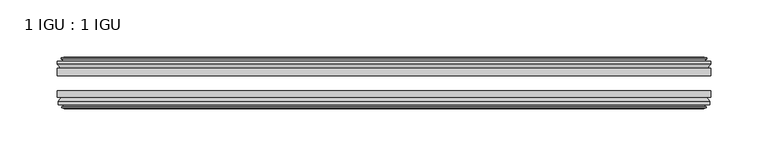
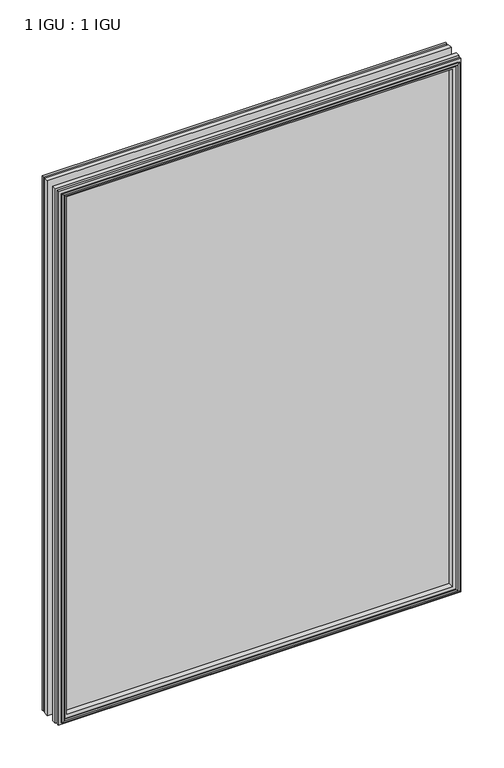
"""IFC4 building model written with IfcOpenShell, lengths in millimetres: plate geometry, 1 IGU : 1 IGU."""

import ifcopenshell
import ifcopenshell.guid

model = None  # the IFC model being written
_history = None  # IfcOwnerHistory: only IFC2X3 demands one
_inside = {}  # id of a spatial element -> (the spatial element, [elements in it])
_under = {}  # id of a project, library or spatial element -> (it, [spatial elements below it])
_declared = {}  # id of a project -> (the project, [libraries it declares])
_typed = {}  # id of a type object -> (the type object, [elements of that type])
_made_of = {}  # id of a material, layer set ... -> (it, [elements and type objects made of it])


def new_model(schema):
    """Start an empty IFC model of exactly this schema.

    Asked for "IFC4X3", IfcOpenShell would pick the latest addendum, in which some entities
    have other attributes; the version numbers below select the first issue.
    IFC2X3 requires an IfcOwnerHistory on every rooted entity: one is made here for all.
    """
    global model, _history
    if schema == "IFC4X3":
        model = ifcopenshell.file(schema_version=(4, 3, 0, 0))
    else:
        model = ifcopenshell.file(schema=schema)
    _inside.clear()
    _under.clear()
    _declared.clear()
    _typed.clear()
    _made_of.clear()
    _history = None
    if model.schema == "IFC2X3":
        org = make("IfcOrganization", Name="unknown")
        user = make(
            "IfcPersonAndOrganization",
            ThePerson=make("IfcPerson", FamilyName="unknown"),
            TheOrganization=org,
        )
        app = make(
            "IfcApplication",
            ApplicationDeveloper=org,
            Version="unknown",
            ApplicationFullName="unknown",
            ApplicationIdentifier="unknown",
        )
        _history = make(
            "IfcOwnerHistory",
            OwningUser=user,
            OwningApplication=app,
            ChangeAction="ADDED",
            CreationDate=0,
        )
    return model


def make(cls, **values):
    """One entity of the class cls with the attributes given. An attribute that is None is left unset."""
    return model.create_entity(
        cls, **{name: value for name, value in values.items() if value is not None}
    )


def rooted(cls, **values):
    """An entity with a GlobalId (a new one), such as an element, a storey or a relation."""
    return make(cls, GlobalId=ifcopenshell.guid.new(), OwnerHistory=_history, **values)


def si_unit(unit_type, name, prefix=None):
    """IfcSIUnit, for example si_unit("LENGTHUNIT", "METRE", prefix="MILLI")."""
    return make("IfcSIUnit", UnitType=unit_type, Prefix=prefix, Name=name)


def assignment(units):
    """IfcUnitAssignment: the units of a project."""
    return None if units is None else make("IfcUnitAssignment", Units=units)


def point(xyz):
    """IfcCartesianPoint."""
    return None if xyz is None else make("IfcCartesianPoint", Coordinates=xyz)


def direction(xyz):
    """IfcDirection."""
    return None if xyz is None else make("IfcDirection", DirectionRatios=xyz)


def frame(location, z_axis=None, x_axis=None):
    """IfcAxis2Placement3D, a coordinate frame: its origin and axes. An axis left out is left unset."""
    return make(
        "IfcAxis2Placement3D",
        Location=point(location),
        Axis=direction(z_axis),
        RefDirection=direction(x_axis),
    )


def origin():
    """The frame at (0, 0, 0) with its axes left unset."""
    return frame((0.0, 0.0, 0.0))


def place(relative_to, where):
    """IfcLocalPlacement: puts the frame where relative to a parent placement (None: the world)."""
    return make(
        "IfcLocalPlacement", PlacementRelTo=relative_to, RelativePlacement=where
    )


def context(
    kind, dimensions, precision=None, world=None, true_north=None, identifier=None
):
    """IfcGeometricRepresentationContext, for example the 3D "Model" context."""
    return make(
        "IfcGeometricRepresentationContext",
        ContextIdentifier=identifier,
        ContextType=kind,
        CoordinateSpaceDimension=dimensions,
        Precision=precision,
        WorldCoordinateSystem=world,
        TrueNorth=true_north,
    )


def project(units=None, contexts=None):
    """IfcProject with its units and contexts."""
    return rooted(
        "IfcProject",
        Name="project",
        RepresentationContexts=contexts,
        UnitsInContext=assignment(units),
    )


def spatial(cls, under=None, at=None, **own):
    """A site, building, storey or space (cls), placed at a placement, below another one or the project."""
    s = rooted(cls, ObjectPlacement=at, **own)
    if under is not None:
        _under.setdefault(under.id(), (under, []))[1].append(s)
    return s


def polyline(points):
    """IfcPolyline through the points."""
    return make("IfcPolyline", Points=[point(p) for p in points])


def outline(outer, holes=None, kind="AREA"):
    """IfcArbitraryClosedProfileDef: a profile drawn as a closed curve; with holes, ...WithVoids."""
    if holes is None:
        return make("IfcArbitraryClosedProfileDef", ProfileType=kind, OuterCurve=outer)
    return make(
        "IfcArbitraryProfileDefWithVoids",
        ProfileType=kind,
        OuterCurve=outer,
        InnerCurves=holes,
    )


def extrude(swept, where, along, depth):
    """IfcExtrudedAreaSolid: the profile swept, set in the frame where, extruded along a direction by depth."""
    return make(
        "IfcExtrudedAreaSolid",
        SweptArea=swept,
        Position=where,
        ExtrudedDirection=direction(along),
        Depth=depth,
    )


def faces_of(points, faces, orient=None, outer=None):
    """IfcFace entities. A face is a list of loops; a loop is a list of indices into points, from 0.

    orient and outer hold one flag for each loop. By default every Orientation is true, the
    first loop of a face is its IfcFaceOuterBound and the others are IfcFaceBound.
    """
    made = []
    for i, loops in enumerate(faces):
        bounds = []
        for j, loop in enumerate(loops):
            is_outer = j == 0 if outer is None else outer[i][j]
            bounds.append(
                make(
                    "IfcFaceOuterBound" if is_outer else "IfcFaceBound",
                    Bound=make("IfcPolyLoop", Polygon=[points[k] for k in loop]),
                    Orientation=True if orient is None else orient[i][j],
                )
            )
        made.append(make("IfcFace", Bounds=bounds))
    return made


def faceted_brep(points, faces, orient=None, outer=None, voids=None):
    """IfcFacetedBrep: a solid bounded by flat faces; with voids (closed shells), ...WithVoids."""
    shared = [point(p) for p in points]
    hull = make("IfcClosedShell", CfsFaces=faces_of(shared, faces, orient, outer))
    if voids is None:
        return make("IfcFacetedBrep", Outer=hull)
    return make(
        "IfcFacetedBrepWithVoids",
        Outer=hull,
        Voids=[
            make(cls, CfsFaces=faces_of(shared, fs, o, b)) for cls, fs, o, b in voids
        ],
    )


def shape(context_of_items, identifier, shape_type, items):
    """IfcShapeRepresentation: the items that make up one representation, for example the "Body"."""
    return make(
        "IfcShapeRepresentation",
        ContextOfItems=context_of_items,
        RepresentationIdentifier=identifier,
        RepresentationType=shape_type,
        Items=items,
    )


def source(mapping_origin, context_of_items, identifier, shape_type, items):
    """IfcRepresentationMap: a shape defined once, which mapped items show again and again."""
    return make(
        "IfcRepresentationMap",
        MappingOrigin=mapping_origin,
        MappedRepresentation=shape(context_of_items, identifier, shape_type, items),
    )


def transform(
    local_origin,
    x_axis=None,
    y_axis=None,
    z_axis=None,
    scale=None,
    scale2=None,
    scale3=None,
    uniform=True,
):
    """IfcCartesianTransformationOperator3D, or its non-uniform kind. x_axis, y_axis, z_axis: its Axis1, 2, 3."""
    if uniform:
        return make(
            "IfcCartesianTransformationOperator3D",
            Axis1=direction(x_axis),
            Axis2=direction(y_axis),
            LocalOrigin=point(local_origin),
            Scale=scale,
            Axis3=direction(z_axis),
        )
    return make(
        "IfcCartesianTransformationOperator3DnonUniform",
        Axis1=direction(x_axis),
        Axis2=direction(y_axis),
        LocalOrigin=point(local_origin),
        Scale=scale,
        Axis3=direction(z_axis),
        Scale2=scale2,
        Scale3=scale3,
    )


def mapped(mapping_source, mapping_target):
    """IfcMappedItem: shows the shape of a source again, moved by a transform."""
    return make(
        "IfcMappedItem", MappingSource=mapping_source, MappingTarget=mapping_target
    )


def made_of(thing, what):
    """Note that an element or type object is made of a material, layer set ...; save() writes the relation."""
    if what is not None:
        _made_of.setdefault(what.id(), (what, []))[1].append(thing)
    return thing


def element(
    cls,
    number,
    at=None,
    inside=None,
    cuts=None,
    type_object=None,
    material=None,
    context=None,
    identifier="Body",
    shape_type=None,
    held_by="IfcProductDefinitionShape",
    body=None,
    shapes=None,
    **own,
):
    """One element of the class cls, such as IfcWall. Its Tag is "e" and its number.

    at: its placement. inside: the storey or other place that contains it. cuts: it is an
    opening in that element (IfcRelVoidsElement). A single representation is given by context,
    identifier, shape_type and body (its items); several are given by shapes. held_by: the class
    of the entity that holds the representations. save() writes the other relations.
    """
    e = rooted(cls, Tag="e%d" % number, ObjectPlacement=at, **own)
    if body is not None:
        shapes = [shape(context, identifier, shape_type, body)]
    if shapes is not None:
        e.Representation = make(held_by, Representations=shapes)
    if inside is not None:
        _inside.setdefault(inside.id(), (inside, []))[1].append(e)
    if cuts is not None:
        rooted(
            "IfcRelVoidsElement", RelatingBuildingElement=cuts, RelatedOpeningElement=e
        )
    if type_object is not None:
        _typed.setdefault(type_object.id(), (type_object, []))[1].append(e)
    return made_of(e, material)


def aggregate(whole, parts):
    """IfcRelAggregates: a whole, such as a stair, and the parts it consists of."""
    return rooted("IfcRelAggregates", RelatingObject=whole, RelatedObjects=parts)


def save(model, path):
    """Write the relations noted so far, then the file.

    IfcRelAggregates (storeys below a building ...), IfcRelContainedInSpatialStructure (elements
    in a storey), IfcRelDefinesByType, IfcRelAssociatesMaterial and IfcRelDeclares: one each for
    every whole, place, type object, material and project.
    """
    for whole, parts in _under.values():
        aggregate(whole, parts)
    for where, things in _inside.values():
        rooted(
            "IfcRelContainedInSpatialStructure",
            RelatedElements=things,
            RelatingStructure=where,
        )
    for kind, things in _typed.values():
        rooted("IfcRelDefinesByType", RelatedObjects=things, RelatingType=kind)
    for what, things in _made_of.values():
        rooted("IfcRelAssociatesMaterial", RelatedObjects=things, RelatingMaterial=what)
    for by, libraries in _declared.values():
        rooted("IfcRelDeclares", RelatingContext=by, RelatedDefinitions=libraries)
    model.write(path)


def plate_1_igu_1_igu_eb9126e1(model_context):
    return source(origin(), model_context, "Body", "SolidModel", [
        extrude(outline(polyline([(285.75, -25.8960937), (285.75, -32.2460938), (-285.75, -32.2460938), (-285.75, -25.8960937), (285.75, -25.8960937)])), frame((0.0, 0.0, -12.7), z_axis=(0.0, 0.0, 1.0), x_axis=(1.0, 0.0, 0.0)), (0.0, 0.0, 1.0), 800.1),
        extrude(outline(polyline([(-285.75, -51.2960938), (-285.75, -45.2686737), (285.75, -45.2686737), (285.75, -51.2960938), (-285.75, -51.2960938)])), frame((0.0, 0.0, -12.7), z_axis=(0.0, 0.0, 1.0), x_axis=(1.0, 0.0, 0.0)), (0.0, 0.0, 1.0), 800.1),
        faceted_brep([(-280.162, -60.0262907, 781.812), (-280.543, -57.6460937, 782.193), (-280.543, -57.6460937, -7.493), (-280.162, -60.0262907, -7.112), (-281.5775291, -59.5663575, 783.2275291), (-281.5775291, -59.5663575, -8.5275291), (-281.5775291, -60.3675717, 783.2275291), (-281.5775291, -60.3675717, -8.5275291), (-279.4, -61.0750937, 781.05), (-279.4, -61.0750937, -6.35), (-277.2224709, -60.3675717, 778.8724709), (-277.2224709, -60.3675717, -4.1724709), (-277.2224709, -59.5663575, 778.8724709), (-277.2224709, -59.5663575, -4.1724709), (-278.638, -60.0262907, 780.288), (-278.638, -60.0262907, -5.588), (-278.257, -57.6460937, 779.907), (-278.257, -57.6460937, -5.207), (-271.3322819, -51.2960937, 772.9822819), (-273.05, -57.6460937, 774.7), (-273.05, -57.6460937, 0.0), (-271.3322819, -51.2960937, 1.7177181), (-284.988, -54.6996937, 786.638), (-282.1536578, -51.2960937, 783.8036578), (-282.1536578, -51.2960937, -9.1036578), (-284.988, -54.6996937, -11.938), (-284.988, -57.6460937, 786.638), (-284.988, -57.6460937, -11.938), (280.543, -57.6460938, -7.493), (280.162, -60.0262907, -7.112), (281.5775291, -59.5663575, -8.5275291), (281.5775291, -60.3675717, -8.5275291), (279.4, -61.0750937, -6.35), (277.2224709, -60.3675717, -4.1724709), (277.2224709, -59.5663575, -4.1724709), (278.638, -60.0262907, -5.588), (278.257, -57.6460937, -5.207), (273.05, -57.6460937, 0.0), (271.3322819, -51.2960937, 1.7177181), (282.1536578, -51.2960937, -9.1036578), (284.988, -54.6996937, -11.938), (284.988, -57.6460938, -11.938), (280.543, -57.6460938, 782.193), (280.162, -60.0262907, 781.812), (281.5775291, -59.5663575, 783.2275291), (281.5775291, -60.3675717, 783.2275291), (279.4, -61.0750937, 781.05), (277.2224709, -60.3675717, 778.8724709), (277.2224709, -59.5663575, 778.8724709), (278.638, -60.0262907, 780.288), (278.257, -57.6460937, 779.907), (273.05, -57.6460937, 774.7), (271.3322819, -51.2960937, 772.9822819), (282.1536578, -51.2960937, 783.8036578), (284.988, -54.6996937, 786.638), (284.988, -57.6460938, 786.638)], [[[0, 1, 2, 3]], [[4, 0, 3, 5]], [[6, 4, 5, 7]], [[8, 6, 7, 9]], [[10, 8, 9, 11]], [[12, 10, 11, 13]], [[14, 12, 13, 15]], [[16, 14, 15, 17]], [[18, 19, 20, 21]], [[22, 23, 24, 25]], [[26, 22, 25, 27]], [[3, 2, 28, 29]], [[5, 3, 29, 30]], [[7, 5, 30, 31]], [[9, 7, 31, 32]], [[11, 9, 32, 33]], [[13, 11, 33, 34]], [[15, 13, 34, 35]], [[17, 15, 35, 36]], [[21, 20, 37, 38]], [[25, 24, 39, 40]], [[27, 25, 40, 41]], [[29, 28, 42, 43]], [[30, 29, 43, 44]], [[31, 30, 44, 45]], [[32, 31, 45, 46]], [[33, 32, 46, 47]], [[34, 33, 47, 48]], [[35, 34, 48, 49]], [[36, 35, 49, 50]], [[38, 37, 51, 52]], [[40, 39, 53, 54]], [[41, 40, 54, 55]], [[27, 41, 55, 26], [1, 42, 28, 2]], [[43, 42, 1, 0]], [[44, 43, 0, 4]], [[45, 44, 4, 6]], [[46, 45, 6, 8]], [[47, 46, 8, 10]], [[48, 47, 10, 12]], [[49, 48, 12, 14]], [[50, 49, 14, 16]], [[17, 36, 50, 16], [19, 51, 37, 20]], [[52, 51, 19, 18]], [[23, 53, 39, 24], [21, 38, 52, 18]], [[54, 53, 23, 22]], [[55, 54, 22, 26]]]),
        faceted_brep([(-282.6743578, -25.8960937, 784.3243578), (-285.5087, -22.4924937, 787.1587), (-285.5087, -22.4924937, -12.4587), (-282.6743578, -25.8960937, -9.6243578), (-273.5707, -19.5460937, 775.2207), (-271.8529819, -25.8960937, 773.5029819), (-271.8529819, -25.8960937, 1.1970181), (-273.5707, -19.5460937, -0.5207), (-279.1587, -17.1658968, 780.8087), (-278.7777, -19.5460937, 780.4277), (-278.7777, -19.5460937, -5.7277), (-279.1587, -17.1658968, -6.1087), (-277.7431709, -17.62583, 779.3931709), (-277.7431709, -17.62583, -4.6931709), (-277.7431709, -16.8246158, 779.3931709), (-277.7431709, -16.8246158, -4.6931709), (-279.9207, -16.1170937, 781.5707), (-279.9207, -16.1170937, -6.8707), (-282.0982291, -16.8246158, 783.7482291), (-282.0982291, -16.8246158, -9.0482291), (-282.0982291, -17.62583, 783.7482291), (-282.0982291, -17.62583, -9.0482291), (-280.6827, -17.1658968, 782.3327), (-280.6827, -17.1658968, -7.6327), (-281.0637, -19.5460937, 782.7137), (-281.0637, -19.5460937, -8.0137), (-285.5087, -19.5460937, 787.1587), (-285.5087, -19.5460937, -12.4587), (285.5087, -22.4924937, -12.4587), (282.6743578, -25.8960937, -9.6243578), (271.8529819, -25.8960937, 1.1970181), (273.5707, -19.5460937, -0.5207), (278.7777, -19.5460937, -5.7277), (279.1587, -17.1658968, -6.1087), (277.7431709, -17.62583, -4.6931709), (277.7431709, -16.8246158, -4.6931709), (279.9207, -16.1170937, -6.8707), (282.0982291, -16.8246158, -9.0482291), (282.0982291, -17.62583, -9.0482291), (280.6827, -17.1658968, -7.6327), (281.0637, -19.5460937, -8.0137), (285.5087, -19.5460937, -12.4587), (285.5087, -22.4924937, 787.1587), (282.6743578, -25.8960937, 784.3243578), (271.8529819, -25.8960937, 773.5029819), (273.5707, -19.5460937, 775.2207), (278.7777, -19.5460937, 780.4277), (279.1587, -17.1658968, 780.8087), (277.7431709, -17.62583, 779.3931709), (277.7431709, -16.8246158, 779.3931709), (279.9207, -16.1170937, 781.5707), (282.0982291, -16.8246158, 783.7482291), (282.0982291, -17.62583, 783.7482291), (280.6827, -17.1658968, 782.3327), (281.0637, -19.5460937, 782.7137), (285.5087, -19.5460937, 787.1587)], [[[0, 1, 2, 3]], [[4, 5, 6, 7]], [[8, 9, 10, 11]], [[12, 8, 11, 13]], [[14, 12, 13, 15]], [[16, 14, 15, 17]], [[18, 16, 17, 19]], [[20, 18, 19, 21]], [[22, 20, 21, 23]], [[24, 22, 23, 25]], [[1, 26, 27, 2]], [[3, 2, 28, 29]], [[7, 6, 30, 31]], [[11, 10, 32, 33]], [[13, 11, 33, 34]], [[15, 13, 34, 35]], [[17, 15, 35, 36]], [[19, 17, 36, 37]], [[21, 19, 37, 38]], [[23, 21, 38, 39]], [[25, 23, 39, 40]], [[2, 27, 41, 28]], [[29, 28, 42, 43]], [[31, 30, 44, 45]], [[33, 32, 46, 47]], [[34, 33, 47, 48]], [[35, 34, 48, 49]], [[36, 35, 49, 50]], [[37, 36, 50, 51]], [[38, 37, 51, 52]], [[39, 38, 52, 53]], [[40, 39, 53, 54]], [[28, 41, 55, 42]], [[43, 42, 1, 0]], [[3, 29, 43, 0], [5, 44, 30, 6]], [[45, 44, 5, 4]], [[9, 46, 32, 10], [7, 31, 45, 4]], [[47, 46, 9, 8]], [[48, 47, 8, 12]], [[49, 48, 12, 14]], [[50, 49, 14, 16]], [[51, 50, 16, 18]], [[52, 51, 18, 20]], [[53, 52, 20, 22]], [[54, 53, 22, 24]], [[26, 55, 41, 27], [25, 40, 54, 24]], [[42, 55, 26, 1]]]),
    ])


if __name__ == "__main__":
    model = new_model("IFC4")
    model_context = context("Model", 3, world=origin())
    ifc_project = project(units=[si_unit("LENGTHUNIT", "METRE", prefix="MILLI")], contexts=[model_context])
    site = spatial("IfcSite", under=ifc_project)
    building = spatial("IfcBuilding", under=site)
    placement = place(None, origin())
    plate_1_igu_1_igu_shape = plate_1_igu_1_igu_eb9126e1(model_context)
    element("IfcPlate", 1, ObjectType="1 IGU : 1 IGU", at=placement, inside=building, context=model_context, shape_type="MappedRepresentation", body=[
        mapped(plate_1_igu_1_igu_shape, transform((0.0, 0.0, 0.0), x_axis=(1.0, 0.0, 0.0), y_axis=(0.0, 1.0, 0.0), z_axis=(0.0, 0.0, 1.0))),
    ])
    save(model, "model.ifc")
